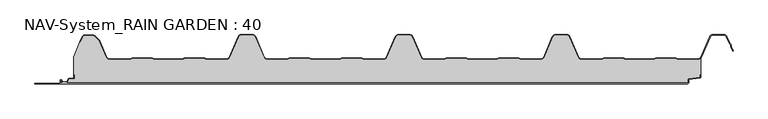
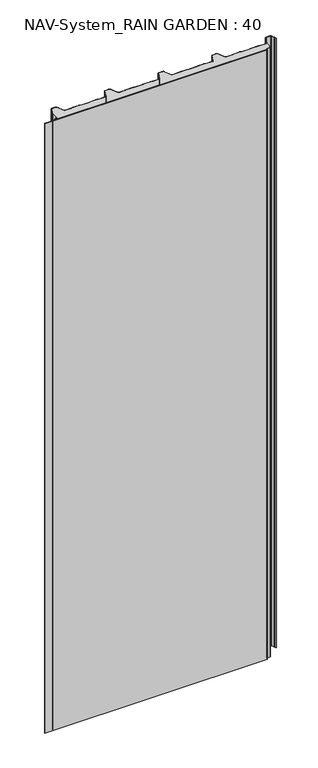
"""IFC4 building model written with IfcOpenShell, lengths in millimetres: plate geometry, NAV-System_RAIN GARDEN : 40."""

from ifc_helpers import new_model, si_unit, point, frame, frame_2d, origin, origin_with_axes, place, context, project, spatial, polyline, circle_curve, trimmed, segment, composite_curve, outline, extrude, source, transform, mapped, element, save


def nav_system_rain_garden_40_cbc9f0d3(model_context):
    return source(origin(), model_context, "Body", "SweptSolid", [
        extrude(outline(composite_curve([segment(polyline([(14.6767555, 519.0), (14.6767555, 518.2), (10.3721283, 518.2), (7.8818536, 500.4911207)]), True, "CONTINUOUS"), segment(trimmed(circle_curve(frame_2d((6.3964683, 500.7)), 1.5), [point((7.8818536, 500.4911207))], [point((6.3964683, 499.2))], False, "CARTESIAN"), True, "CONTINUOUS"), segment(polyline([(6.3964683, 499.2), (1.8, 499.2), (1.8, -498.7)]), True, "CONTINUOUS"), segment(trimmed(circle_curve(frame_2d((2.3, -498.7)), 0.5), [point((1.8, -498.7))], [point((2.3, -499.2))], True, "CARTESIAN"), True, "CONTINUOUS"), segment(polyline([(2.3, -499.2), (5.3700191, -499.2)]), True, "CONTINUOUS"), segment(trimmed(circle_curve(frame_2d((5.3700191, -498.7)), 0.5), [point((5.3700191, -499.2))], [point((5.6200191, -498.2669873))], True, "CARTESIAN"), True, "CONTINUOUS"), segment(polyline([(5.6200191, -498.2669873), (2.2, -496.2924383), (2.2, -488.9841833), (7.6866602, -485.8164586), (8.898332, -477.2), (14.6767555, -477.2), (14.6767555, -478.0), (9.5937048, -478.0), (8.5128213, -485.6863953)]), True, "CONTINUOUS"), segment(trimmed(circle_curve(frame_2d((7.2254873, -485.5053666)), 1.3), [point((8.5128213, -485.6863953))], [point((7.8754873, -486.6311996))], False, "CARTESIAN"), True, "CONTINUOUS"), segment(polyline([(7.8754873, -486.6311996), (3.0, -489.4460636), (3.0, -495.8305581), (6.0200191, -497.574167)]), True, "CONTINUOUS"), segment(trimmed(circle_curve(frame_2d((5.3700191, -498.7)), 1.3), [point((6.0200191, -497.574167))], [point((5.3700191, -500.0))], False, "CARTESIAN"), True, "CONTINUOUS"), segment(polyline([(5.3700191, -500.0), (2.3, -500.0)]), True, "CONTINUOUS"), segment(trimmed(circle_curve(frame_2d((2.3, -498.7)), 1.3), [point((2.3, -500.0))], [point((1.0, -498.7))], False, "CARTESIAN"), True, "CONTINUOUS"), segment(polyline([(1.0, -498.7), (1.0, -540.0), (0.0, -540.0), (0.0, 498.7), (1.0, 498.7)]), True, "CONTINUOUS"), segment(trimmed(circle_curve(frame_2d((2.3, 498.7)), 1.3), [point((1.0, 498.7))], [point((2.3, 500.0))], False, "CARTESIAN"), True, "CONTINUOUS"), segment(polyline([(2.3, 500.0), (6.3964683, 500.0)]), True, "CONTINUOUS"), segment(trimmed(circle_curve(frame_2d((6.3964683, 500.7)), 0.7), [point((6.3964683, 500.0))], [point((7.0896481, 500.602523))], True, "CARTESIAN"), True, "CONTINUOUS"), segment(polyline([(7.0896481, 500.602523), (9.5194024, 517.8810287)]), True, "CONTINUOUS"), segment(trimmed(circle_curve(frame_2d((10.8067363, 517.7)), 1.3), [point((9.5194024, 517.8810287))], [point((10.8067363, 519.0))], False, "CARTESIAN"), True, "CONTINUOUS"), segment(polyline([(10.8067363, 519.0), (14.6767555, 519.0)]), True, "CONTINUOUS")], self_intersect=False)), frame((0.0, 0.0, 3000.0), z_axis=(0.0, 0.0, -1.0), x_axis=(0.0, 1.0, 0.0)), (0.0, 0.0, 1.0), 3000.0),
        extrude(outline(composite_curve([segment(polyline([(519.0, 40.6220493), (519.0, 14.6767555), (518.2, 14.6767555), (518.2, 10.3721283), (500.4911207, 7.8818536)]), True, "CONTINUOUS"), segment(trimmed(circle_curve(frame_2d((500.7, 6.3964683)), 1.5), [point((500.4911207, 7.8818536))], [point((499.2, 6.3964683))], True, "CARTESIAN"), True, "CONTINUOUS"), segment(polyline([(499.2, 6.3964683), (499.2, 1.8), (-498.7, 1.8)]), True, "CONTINUOUS"), segment(trimmed(circle_curve(frame_2d((-498.7, 2.3)), 0.5), [point((-498.7, 1.8))], [point((-499.2, 2.3))], False, "CARTESIAN"), True, "CONTINUOUS"), segment(polyline([(-499.2, 2.3), (-499.2, 5.3700191)]), True, "CONTINUOUS"), segment(trimmed(circle_curve(frame_2d((-498.7, 5.3700191)), 0.5), [point((-499.2, 5.3700191))], [point((-498.2669873, 5.6200191))], False, "CARTESIAN"), True, "CONTINUOUS"), segment(polyline([(-498.2669873, 5.6200191), (-496.2924383, 2.2), (-488.9841833, 2.2), (-485.8164586, 7.6866602), (-477.2, 8.898332), (-477.2, 14.6767555), (-478.0, 14.6767555), (-478.0, 43.053822), (-468.3696578, 66.593514), (-467.6292254, 66.2905951), (-464.1022482, 74.9116756)]), True, "CONTINUOUS"), segment(trimmed(circle_curve(frame_2d((-461.1405186, 73.7)), 3.2), [point((-464.1022482, 74.9116756))], [point((-461.1405186, 76.9))], False, "CARTESIAN"), True, "CONTINUOUS"), segment(polyline([(-461.1405186, 76.9), (-447.7344665, 76.9)]), True, "CONTINUOUS"), segment(trimmed(circle_curve(frame_2d((-447.7344665, 72.7)), 4.2), [point((-447.7344665, 76.9))], [point((-444.764618, 75.6698485))], False, "CARTESIAN"), True, "CONTINUOUS"), segment(polyline([(-444.764618, 75.6698485), (-438.3136397, 69.2188701)]), True, "CONTINUOUS"), segment(trimmed(circle_curve(frame_2d((-441.2834882, 66.2490217)), 4.2), [point((-438.3136397, 69.2188701))], [point((-437.4245651, 67.9069459))], False, "CARTESIAN"), True, "CONTINUOUS"), segment(polyline([(-437.4245651, 67.9069459), (-426.3392729, 42.1052295)]), True, "CONTINUOUS"), segment(trimmed(circle_curve(frame_2d((-421.9290751, 44.0)), 4.8), [point((-426.3392729, 42.1052295))], [point((-421.9290751, 39.2))], True, "CARTESIAN"), True, "CONTINUOUS"), segment(polyline([(-421.9290751, 39.2), (-389.1564631, 39.2), (-385.1925378, 40.7), (-353.6825105, 40.7), (-349.6410865, 39.2), (-305.8231298, 39.2), (-301.9276212, 40.6741102), (-270.3491772, 40.7), (-266.3077532, 39.2), (-234.4101978, 39.2)]), True, "CONTINUOUS"), segment(trimmed(circle_curve(frame_2d((-234.4101978, 44.0)), 4.8), [point((-234.4101978, 39.2))], [point((-230.0, 42.1052295))], True, "CARTESIAN"), True, "CONTINUOUS"), segment(polyline([(-230.0, 42.1052295), (-215.7994417, 75.1579242)]), True, "CONTINUOUS"), segment(trimmed(circle_curve(frame_2d((-211.9405186, 73.5)), 4.2), [point((-215.7994417, 75.1579242))], [point((-211.9405186, 77.7))], False, "CARTESIAN"), True, "CONTINUOUS"), segment(polyline([(-211.9405186, 77.7), (-193.5280451, 77.7)]), True, "CONTINUOUS"), segment(trimmed(circle_curve(frame_2d((-193.5280451, 73.5)), 4.2), [point((-193.5280451, 77.7))], [point((-189.669122, 75.1579242))], False, "CARTESIAN"), True, "CONTINUOUS"), segment(polyline([(-189.669122, 75.1579242), (-175.4685637, 42.1052295)]), True, "CONTINUOUS"), segment(trimmed(circle_curve(frame_2d((-171.0583659, 44.0)), 4.8), [point((-175.4685637, 42.1052295))], [point((-171.0583659, 39.2))], True, "CARTESIAN"), True, "CONTINUOUS"), segment(polyline([(-171.0583659, 39.2), (-139.1564631, 39.2), (-135.1925378, 40.7), (-103.6825105, 40.7), (-99.6410865, 39.2), (-55.8231298, 39.2), (-51.9276212, 40.6741102), (-20.3491772, 40.7), (-16.3077532, 39.2), (15.5898022, 39.2)]), True, "CONTINUOUS"), segment(trimmed(circle_curve(frame_2d((15.5898022, 44.0)), 4.8), [point((15.5898022, 39.2))], [point((20.0, 42.1052295))], True, "CARTESIAN"), True, "CONTINUOUS"), segment(polyline([(20.0, 42.1052295), (34.2005583, 75.1579242)]), True, "CONTINUOUS"), segment(trimmed(circle_curve(frame_2d((38.0594814, 73.5)), 4.2), [point((34.2005583, 75.1579242))], [point((38.0594814, 77.7))], False, "CARTESIAN"), True, "CONTINUOUS"), segment(polyline([(38.0594814, 77.7), (56.4719549, 77.7)]), True, "CONTINUOUS"), segment(trimmed(circle_curve(frame_2d((56.4719549, 73.5)), 4.2), [point((56.4719549, 77.7))], [point((60.330878, 75.1579242))], False, "CARTESIAN"), True, "CONTINUOUS"), segment(polyline([(60.330878, 75.1579242), (74.5314363, 42.1052295)]), True, "CONTINUOUS"), segment(trimmed(circle_curve(frame_2d((78.9416341, 44.0)), 4.8), [point((74.5314363, 42.1052295))], [point((78.9416341, 39.2))], True, "CARTESIAN"), True, "CONTINUOUS"), segment(polyline([(78.9416341, 39.2), (110.8435369, 39.2), (114.8074622, 40.7), (146.3174895, 40.7), (150.3589135, 39.2), (194.1768702, 39.2), (198.0723788, 40.6741102), (229.6508228, 40.7), (233.6922468, 39.2), (265.5898022, 39.2)]), True, "CONTINUOUS"), segment(trimmed(circle_curve(frame_2d((265.5898022, 44.0)), 4.8), [point((265.5898022, 39.2))], [point((270.0, 42.1052295))], True, "CARTESIAN"), True, "CONTINUOUS"), segment(polyline([(270.0, 42.1052295), (284.2005583, 75.1579242)]), True, "CONTINUOUS"), segment(trimmed(circle_curve(frame_2d((288.0594814, 73.5)), 4.2), [point((284.2005583, 75.1579242))], [point((288.0594814, 77.7))], False, "CARTESIAN"), True, "CONTINUOUS"), segment(polyline([(288.0594814, 77.7), (306.4719549, 77.7)]), True, "CONTINUOUS"), segment(trimmed(circle_curve(frame_2d((306.4719549, 73.5)), 4.2), [point((306.4719549, 77.7))], [point((310.330878, 75.1579242))], False, "CARTESIAN"), True, "CONTINUOUS"), segment(polyline([(310.330878, 75.1579242), (324.5314363, 42.1052295)]), True, "CONTINUOUS"), segment(trimmed(circle_curve(frame_2d((328.9416341, 44.0)), 4.8), [point((324.5314363, 42.1052295))], [point((328.9416341, 39.2))], True, "CARTESIAN"), True, "CONTINUOUS"), segment(polyline([(328.9416341, 39.2), (360.8435369, 39.2), (364.7390455, 40.6741102), (396.3174895, 40.7), (400.3589135, 39.2), (444.1768702, 39.2), (448.0723788, 40.6741102), (479.6508228, 40.7), (483.6922468, 39.2), (515.5898022, 39.2)]), True, "CONTINUOUS"), segment(trimmed(circle_curve(frame_2d((515.5898022, 44.0)), 4.8), [point((515.5898022, 39.2))], [point((519.0, 40.6220493))], True, "CARTESIAN"), True, "CONTINUOUS")], self_intersect=False)), origin_with_axes(), (0.0, 0.0, 1.0), 3000.0),
        extrude(outline(composite_curve([segment(trimmed(circle_curve(frame_2d((-461.1408608, 73.7)), 4.0), [point((-464.8430228, 75.2145945))], [point((-461.1408608, 77.7))], False, "CARTESIAN"), True, "CONTINUOUS"), segment(polyline([(-461.1408608, 77.7), (-447.7348087, 77.7)]), True, "CONTINUOUS"), segment(trimmed(circle_curve(frame_2d((-447.7348087, 72.7)), 5.0), [point((-447.7348087, 77.7))], [point((-444.1992748, 76.2355339))], False, "CARTESIAN"), True, "CONTINUOUS"), segment(polyline([(-444.1992748, 76.2355339), (-437.7482965, 69.7845556)]), True, "CONTINUOUS"), segment(trimmed(circle_curve(frame_2d((-441.2838304, 66.2490217)), 5.0), [point((-437.7482965, 69.7845556))], [point((-436.6898744, 68.2227409))], False, "CARTESIAN"), True, "CONTINUOUS"), segment(polyline([(-436.6898744, 68.2227409), (-425.6045822, 42.4210246)]), True, "CONTINUOUS"), segment(trimmed(circle_curve(frame_2d((-421.9294173, 44.0)), 4.0), [point((-425.6045822, 42.4210246))], [point((-421.9294173, 40.0))], True, "CARTESIAN"), True, "CONTINUOUS"), segment(polyline([(-421.9294173, 40.0), (-389.3031082, 40.0), (-385.3391828, 41.5), (-353.4633986, 41.5), (-349.4994732, 40.0), (-305.9697749, 40.0), (-302.0058495, 41.5), (-270.1300653, 41.5), (-266.1661399, 40.0), (-234.41054, 40.0)]), True, "CONTINUOUS"), segment(trimmed(circle_curve(frame_2d((-234.41054, 44.0)), 4.0), [point((-234.41054, 40.0))], [point((-230.7353752, 42.4210246))], True, "CARTESIAN"), True, "CONTINUOUS"), segment(polyline([(-230.7353752, 42.4210246), (-216.5348169, 75.4737193)]), True, "CONTINUOUS"), segment(trimmed(circle_curve(frame_2d((-211.9408608, 73.5)), 5.0), [point((-216.5348169, 75.4737193))], [point((-211.9408608, 78.5))], False, "CARTESIAN"), True, "CONTINUOUS"), segment(polyline([(-211.9408608, 78.5), (-193.5283873, 78.5)]), True, "CONTINUOUS"), segment(trimmed(circle_curve(frame_2d((-193.5283873, 73.5)), 5.0), [point((-193.5283873, 78.5))], [point((-188.9344313, 75.4737193))], False, "CARTESIAN"), True, "CONTINUOUS"), segment(polyline([(-188.9344313, 75.4737193), (-174.7338729, 42.4210246)]), True, "CONTINUOUS"), segment(trimmed(circle_curve(frame_2d((-171.0587081, 44.0)), 4.0), [point((-174.7338729, 42.4210246))], [point((-171.0587081, 40.0))], True, "CARTESIAN"), True, "CONTINUOUS"), segment(polyline([(-171.0587081, 40.0), (-139.3031082, 40.0), (-135.3391828, 41.5), (-103.4633986, 41.5), (-99.4994732, 40.0), (-55.9697749, 40.0), (-52.0058495, 41.5), (-20.1300653, 41.5), (-16.1661399, 40.0), (15.58946, 40.0)]), True, "CONTINUOUS"), segment(trimmed(circle_curve(frame_2d((15.58946, 44.0)), 4.0), [point((15.58946, 40.0))], [point((19.2646248, 42.4210246))], True, "CARTESIAN"), True, "CONTINUOUS"), segment(polyline([(19.2646248, 42.4210246), (33.4651831, 75.4737193)]), True, "CONTINUOUS"), segment(trimmed(circle_curve(frame_2d((38.0591392, 73.5)), 5.0), [point((33.4651831, 75.4737193))], [point((38.0591392, 78.5))], False, "CARTESIAN"), True, "CONTINUOUS"), segment(polyline([(38.0591392, 78.5), (56.4716127, 78.5)]), True, "CONTINUOUS"), segment(trimmed(circle_curve(frame_2d((56.4716127, 73.5)), 5.0), [point((56.4716127, 78.5))], [point((61.0655687, 75.4737193))], False, "CARTESIAN"), True, "CONTINUOUS"), segment(polyline([(61.0655687, 75.4737193), (75.2661271, 42.4210246)]), True, "CONTINUOUS"), segment(trimmed(circle_curve(frame_2d((78.9412919, 44.0)), 4.0), [point((75.2661271, 42.4210246))], [point((78.9412919, 40.0))], True, "CARTESIAN"), True, "CONTINUOUS"), segment(polyline([(78.9412919, 40.0), (110.6968918, 40.0), (114.6608172, 41.5), (146.5366014, 41.5), (150.5005268, 40.0), (194.0302251, 40.0), (197.9941505, 41.5), (229.8699347, 41.5), (233.8338601, 40.0), (265.58946, 40.0)]), True, "CONTINUOUS"), segment(trimmed(circle_curve(frame_2d((265.58946, 44.0)), 4.0), [point((265.58946, 40.0))], [point((269.2646248, 42.4210246))], True, "CARTESIAN"), True, "CONTINUOUS"), segment(polyline([(269.2646248, 42.4210246), (283.4651831, 75.4737193)]), True, "CONTINUOUS"), segment(trimmed(circle_curve(frame_2d((288.0591392, 73.5)), 5.0), [point((283.4651831, 75.4737193))], [point((288.0591392, 78.5))], False, "CARTESIAN"), True, "CONTINUOUS"), segment(polyline([(288.0591392, 78.5), (306.4716127, 78.5)]), True, "CONTINUOUS"), segment(trimmed(circle_curve(frame_2d((306.4716127, 73.5)), 5.0), [point((306.4716127, 78.5))], [point((311.0655687, 75.4737193))], False, "CARTESIAN"), True, "CONTINUOUS"), segment(polyline([(311.0655687, 75.4737193), (325.2661271, 42.4210246)]), True, "CONTINUOUS"), segment(trimmed(circle_curve(frame_2d((328.9412919, 44.0)), 4.0), [point((325.2661271, 42.4210246))], [point((328.9412919, 40.0))], True, "CARTESIAN"), True, "CONTINUOUS"), segment(polyline([(328.9412919, 40.0), (360.6968918, 40.0), (364.6608172, 41.5), (396.5366014, 41.5), (400.5005268, 40.0), (444.0302251, 40.0), (447.9941505, 41.5), (479.8699347, 41.5), (483.8338601, 40.0), (515.58946, 40.0)]), True, "CONTINUOUS"), segment(trimmed(circle_curve(frame_2d((515.58946, 44.0)), 4.0), [point((515.58946, 40.0))], [point((519.2646248, 42.4210246))], True, "CARTESIAN"), True, "CONTINUOUS"), segment(polyline([(519.2646248, 42.4210246), (533.4651831, 75.4737193)]), True, "CONTINUOUS"), segment(trimmed(circle_curve(frame_2d((538.0591392, 73.5)), 5.0), [point((533.4651831, 75.4737193))], [point((538.0591392, 78.5))], False, "CARTESIAN"), True, "CONTINUOUS"), segment(polyline([(538.0591392, 78.5), (556.4716127, 78.5)]), True, "CONTINUOUS"), segment(trimmed(circle_curve(frame_2d((556.4716127, 73.5)), 5.0), [point((556.4716127, 78.5))], [point((561.0655687, 75.4737193))], False, "CARTESIAN"), True, "CONTINUOUS"), segment(polyline([(561.0655687, 75.4737193), (565.9006789, 64.2196957), (567.9230626, 62.4138642), (567.8408612, 59.703799), (570.8182039, 52.7738461), (570.0831709, 52.458051), (567.0358547, 59.5508717), (567.1121268, 62.0654564), (565.2356202, 63.741031), (560.3305358, 75.1579242)]), True, "CONTINUOUS"), segment(trimmed(circle_curve(frame_2d((556.4716127, 73.5)), 4.2), [point((560.3305358, 75.1579242))], [point((556.4716127, 77.7))], True, "CARTESIAN"), True, "CONTINUOUS"), segment(polyline([(556.4716127, 77.7), (538.0591392, 77.7)]), True, "CONTINUOUS"), segment(trimmed(circle_curve(frame_2d((538.0591392, 73.5)), 4.2), [point((538.0591392, 77.7))], [point((534.2002161, 75.1579242))], True, "CARTESIAN"), True, "CONTINUOUS"), segment(polyline([(534.2002161, 75.1579242), (519.9996578, 42.1052295)]), True, "CONTINUOUS"), segment(trimmed(circle_curve(frame_2d((515.58946, 44.0)), 4.8), [point((519.9996578, 42.1052295))], [point((515.58946, 39.2))], False, "CARTESIAN"), True, "CONTINUOUS"), segment(polyline([(515.58946, 39.2), (483.6919046, 39.2), (479.6504806, 40.7), (448.0720366, 40.6741102), (444.1765279, 39.2), (400.3585713, 39.2), (396.3171473, 40.7), (364.7387033, 40.6741102), (360.8431946, 39.2), (328.9412919, 39.2)]), True, "CONTINUOUS"), segment(trimmed(circle_curve(frame_2d((328.9412919, 44.0)), 4.8), [point((328.9412919, 39.2))], [point((324.5310941, 42.1052295))], False, "CARTESIAN"), True, "CONTINUOUS"), segment(polyline([(324.5310941, 42.1052295), (310.3305358, 75.1579242)]), True, "CONTINUOUS"), segment(trimmed(circle_curve(frame_2d((306.4716127, 73.5)), 4.2), [point((310.3305358, 75.1579242))], [point((306.4716127, 77.7))], True, "CARTESIAN"), True, "CONTINUOUS"), segment(polyline([(306.4716127, 77.7), (288.0591392, 77.7)]), True, "CONTINUOUS"), segment(trimmed(circle_curve(frame_2d((288.0591392, 73.5)), 4.2), [point((288.0591392, 77.7))], [point((284.2002161, 75.1579242))], True, "CARTESIAN"), True, "CONTINUOUS"), segment(polyline([(284.2002161, 75.1579242), (269.9996578, 42.1052295)]), True, "CONTINUOUS"), segment(trimmed(circle_curve(frame_2d((265.58946, 44.0)), 4.8), [point((269.9996578, 42.1052295))], [point((265.58946, 39.2))], False, "CARTESIAN"), True, "CONTINUOUS"), segment(polyline([(265.58946, 39.2), (233.6919046, 39.2), (229.6504806, 40.7), (198.0720366, 40.6741102), (194.1765279, 39.2), (150.3585713, 39.2), (146.3171473, 40.7), (114.7387033, 40.6741102), (110.8431946, 39.2), (78.9412919, 39.2)]), True, "CONTINUOUS"), segment(trimmed(circle_curve(frame_2d((78.9412919, 44.0)), 4.8), [point((78.9412919, 39.2))], [point((74.5310941, 42.1052295))], False, "CARTESIAN"), True, "CONTINUOUS"), segment(polyline([(74.5310941, 42.1052295), (60.3305358, 75.1579242)]), True, "CONTINUOUS"), segment(trimmed(circle_curve(frame_2d((56.4716127, 73.5)), 4.2), [point((60.3305358, 75.1579242))], [point((56.4716127, 77.7))], True, "CARTESIAN"), True, "CONTINUOUS"), segment(polyline([(56.4716127, 77.7), (38.0591392, 77.7)]), True, "CONTINUOUS"), segment(trimmed(circle_curve(frame_2d((38.0591392, 73.5)), 4.2), [point((38.0591392, 77.7))], [point((34.2002161, 75.1579242))], True, "CARTESIAN"), True, "CONTINUOUS"), segment(polyline([(34.2002161, 75.1579242), (19.9996578, 42.1052295)]), True, "CONTINUOUS"), segment(trimmed(circle_curve(frame_2d((15.58946, 44.0)), 4.8), [point((19.9996578, 42.1052295))], [point((15.58946, 39.2))], False, "CARTESIAN"), True, "CONTINUOUS"), segment(polyline([(15.58946, 39.2), (-16.3080954, 39.2), (-20.3495194, 40.7), (-51.9279634, 40.6741102), (-55.8234721, 39.2), (-99.6414287, 39.2), (-103.6828527, 40.7), (-135.2612967, 40.6741102), (-139.1568054, 39.2), (-171.0587081, 39.2)]), True, "CONTINUOUS"), segment(trimmed(circle_curve(frame_2d((-171.0587081, 44.0)), 4.8), [point((-171.0587081, 39.2))], [point((-175.4689059, 42.1052295))], False, "CARTESIAN"), True, "CONTINUOUS"), segment(polyline([(-175.4689059, 42.1052295), (-189.6694642, 75.1579242)]), True, "CONTINUOUS"), segment(trimmed(circle_curve(frame_2d((-193.5283873, 73.5)), 4.2), [point((-189.6694642, 75.1579242))], [point((-193.5283873, 77.7))], True, "CARTESIAN"), True, "CONTINUOUS"), segment(polyline([(-193.5283873, 77.7), (-211.9408608, 77.7)]), True, "CONTINUOUS"), segment(trimmed(circle_curve(frame_2d((-211.9408608, 73.5)), 4.2), [point((-211.9408608, 77.7))], [point((-215.7997839, 75.1579242))], True, "CARTESIAN"), True, "CONTINUOUS"), segment(polyline([(-215.7997839, 75.1579242), (-230.0003422, 42.1052295)]), True, "CONTINUOUS"), segment(trimmed(circle_curve(frame_2d((-234.41054, 44.0)), 4.8), [point((-230.0003422, 42.1052295))], [point((-234.41054, 39.2))], False, "CARTESIAN"), True, "CONTINUOUS"), segment(polyline([(-234.41054, 39.2), (-266.3080954, 39.2), (-270.3495194, 40.7), (-301.9279634, 40.6741102), (-305.8234721, 39.2), (-349.6414287, 39.2), (-353.6828527, 40.7), (-385.19288, 40.7), (-389.1568054, 39.2), (-421.9294173, 39.2)]), True, "CONTINUOUS"), segment(trimmed(circle_curve(frame_2d((-421.9294173, 44.0)), 4.8), [point((-421.9294173, 39.2))], [point((-426.3396151, 42.1052295))], False, "CARTESIAN"), True, "CONTINUOUS"), segment(polyline([(-426.3396151, 42.1052295), (-437.4249073, 67.9069459)]), True, "CONTINUOUS"), segment(trimmed(circle_curve(frame_2d((-441.2838304, 66.2490217)), 4.2), [point((-437.4249073, 67.9069459))], [point((-438.3139819, 69.2188701))], True, "CARTESIAN"), True, "CONTINUOUS"), segment(polyline([(-438.3139819, 69.2188701), (-444.7649603, 75.6698485)]), True, "CONTINUOUS"), segment(trimmed(circle_curve(frame_2d((-447.7348087, 72.7)), 4.2), [point((-444.7649603, 75.6698485))], [point((-447.7348087, 76.9))], True, "CARTESIAN"), True, "CONTINUOUS"), segment(polyline([(-447.7348087, 76.9), (-461.1408608, 76.9)]), True, "CONTINUOUS"), segment(trimmed(circle_curve(frame_2d((-461.1408608, 73.7)), 3.2), [point((-461.1408608, 76.9))], [point((-464.1025904, 74.9116756))], True, "CARTESIAN"), True, "CONTINUOUS"), segment(polyline([(-464.1025904, 74.9116756), (-467.6295676, 66.2905951), (-468.37, 66.593514), (-464.8430228, 75.2145945)]), True, "CONTINUOUS")], self_intersect=False)), origin_with_axes(), (0.0, 0.0, 1.0), 3000.0),
    ])


if __name__ == "__main__":
    model = new_model("IFC4")
    model_context = context("Model", 3, world=origin())
    ifc_project = project(units=[si_unit("LENGTHUNIT", "METRE", prefix="MILLI")], contexts=[model_context])
    site = spatial("IfcSite", under=ifc_project)
    building = spatial("IfcBuilding", under=site)
    placement = place(None, origin())
    nav_system_rain_garden_40_shape = nav_system_rain_garden_40_cbc9f0d3(model_context)
    element("IfcPlate", 1, ObjectType="NAV-System_RAIN GARDEN : 40", at=placement, inside=building, context=model_context, shape_type="MappedRepresentation", body=[
        mapped(nav_system_rain_garden_40_shape, transform((0.0, 0.0, 0.0), x_axis=(1.0, 0.0, 0.0), y_axis=(0.0, 1.0, 0.0), z_axis=(0.0, 0.0, 1.0))),
    ])
    save(model, "model.ifc")
